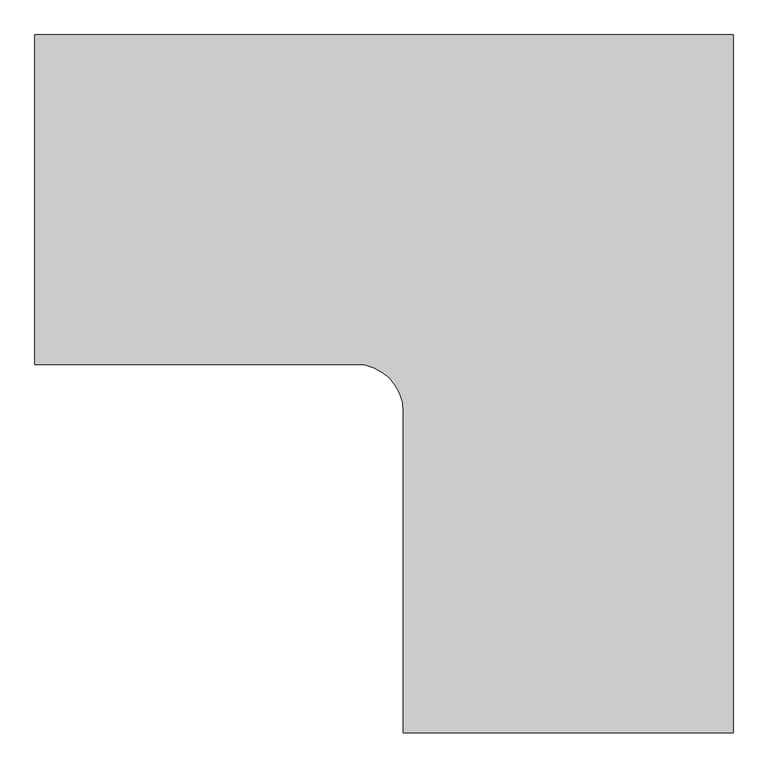
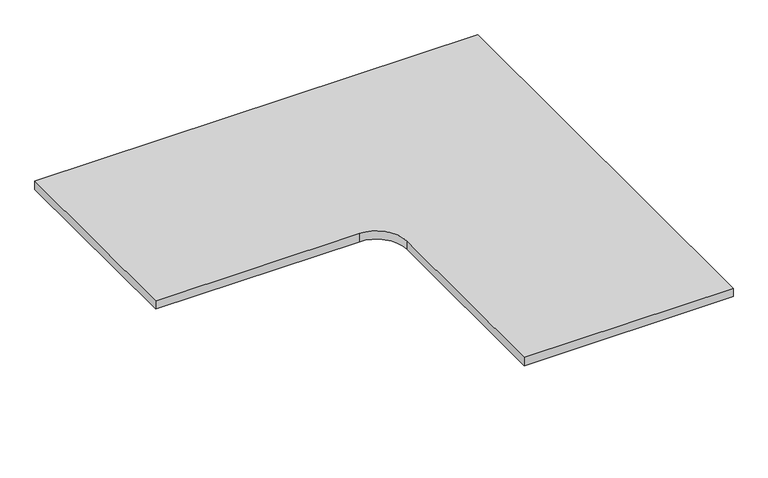
"""IFC4 building model written with IfcOpenShell, lengths in millimetres: furniture geometry."""

from ifc_helpers import new_model, si_unit, point, frame, frame_2d, origin, place, context, project, spatial, polyline, circle_curve, trimmed, segment, composite_curve, outline, extrude, source, transform, mapped, element, save


def furniture_6b123841(model_context):
    return source(origin(), model_context, "Body", "SweptSolid", [
        extrude(outline(composite_curve([segment(polyline([(0.0, 0.0), (0.0, -1304.7472), (-615.95, -1304.7472), (-615.95, -704.85)]), True, "CONTINUOUS"), segment(trimmed(circle_curve(frame_2d((-704.85, -704.85)), 88.9), [point((-615.95, -704.85))], [point((-704.85, -615.95))], True, "CARTESIAN"), True, "CONTINUOUS"), segment(polyline([(-704.85, -615.95), (-1304.7472, -615.95), (-1304.7472, 0.0), (0.0, 0.0)]), True, "CONTINUOUS")], self_intersect=False)), frame((0.0, 0.0, 852.297), z_axis=(0.0, 0.0, 1.0), x_axis=(1.0, 0.0, 0.0)), (0.0, 0.0, 1.0), 25.4),
    ])


if __name__ == "__main__":
    model = new_model("IFC4")
    model_context = context("Model", 3, world=origin())
    ifc_project = project(units=[si_unit("LENGTHUNIT", "METRE", prefix="MILLI")], contexts=[model_context])
    site = spatial("IfcSite", under=ifc_project)
    building = spatial("IfcBuilding", under=site)
    placement = place(None, origin())
    furniture_shape = furniture_6b123841(model_context)
    element("IfcFurniture", 1, at=placement, inside=building, context=model_context, shape_type="MappedRepresentation", body=[
        mapped(furniture_shape, transform((0.0, 0.0, 0.0), x_axis=(1.0, 0.0, 0.0), y_axis=(0.0, 1.0, 0.0), z_axis=(0.0, 0.0, 1.0))),
    ])
    save(model, "model.ifc")
